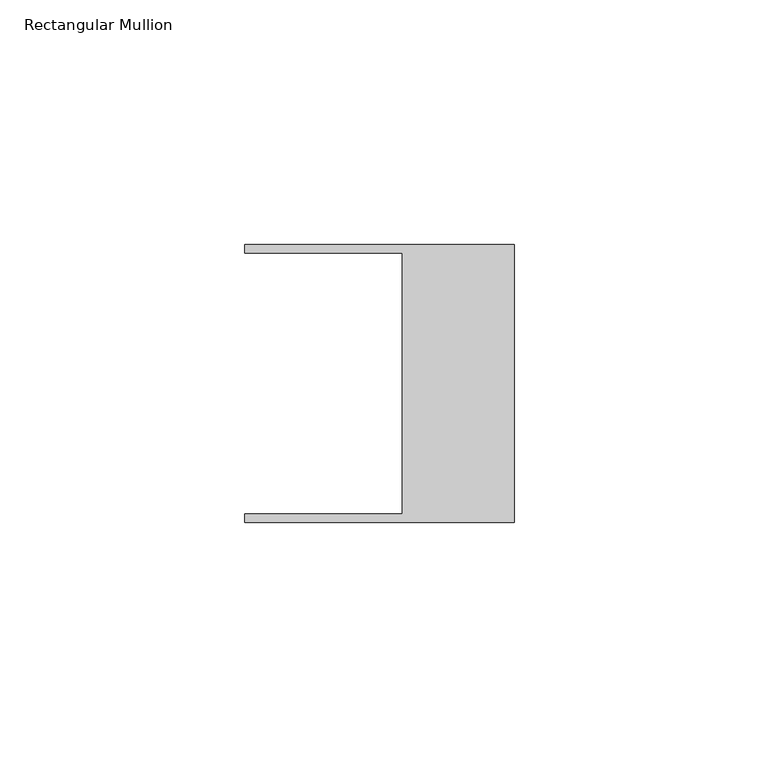
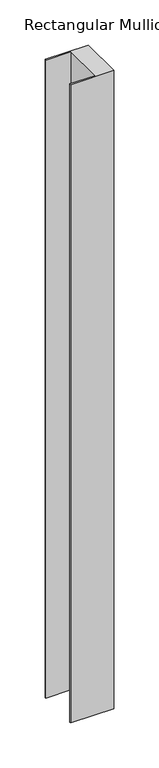
"""IFC4 building model written with IfcOpenShell, lengths in millimetres: member geometry, Rectangular Mullion."""

from ifc_helpers import new_model, si_unit, frame, origin, place, context, project, spatial, polyline, outline, extrude, source, transform, mapped, element, save


def rectangular_mullion_ea48a9d5(model_context):
    return source(origin(), model_context, "Body", "SweptSolid", [
        extrude(outline(polyline([(-55.118, 26.67), (-55.118, 28.448), (0.0, 28.448), (0.0, -28.448), (-55.118, -28.448), (-55.118, -26.67), (-22.86, -26.67), (-22.86, 26.67), (-55.118, 26.67)])), frame((0.0, 0.0, -865.2088684), z_axis=(0.0, 0.0, 1.0), x_axis=(1.0, 0.0, 0.0)), (0.0, 0.0, 1.0), 865.2088684),
    ])


if __name__ == "__main__":
    model = new_model("IFC4")
    model_context = context("Model", 3, world=origin())
    ifc_project = project(units=[si_unit("LENGTHUNIT", "METRE", prefix="MILLI")], contexts=[model_context])
    site = spatial("IfcSite", under=ifc_project)
    building = spatial("IfcBuilding", under=site)
    placement = place(None, origin())
    rectangular_mullion_shape = rectangular_mullion_ea48a9d5(model_context)
    element("IfcMember", 1, ObjectType="Rectangular Mullion", at=placement, inside=building, context=model_context, shape_type="MappedRepresentation", body=[
        mapped(rectangular_mullion_shape, transform((0.0, 0.0, 0.0), x_axis=(1.0, 0.0, 0.0), y_axis=(0.0, 1.0, 0.0), z_axis=(0.0, 0.0, 1.0))),
    ])
    save(model, "model.ifc")
